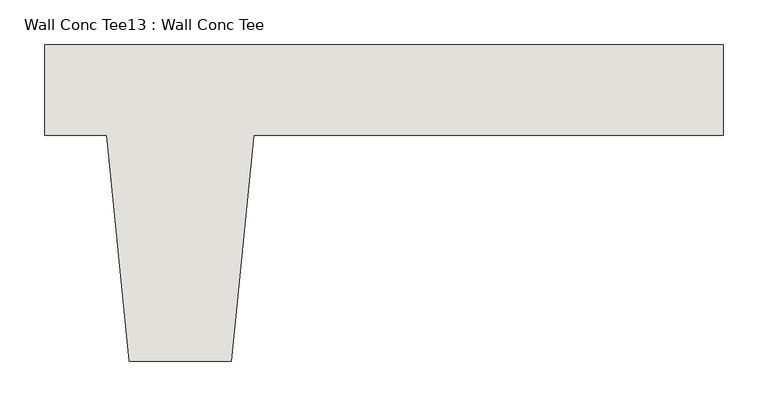
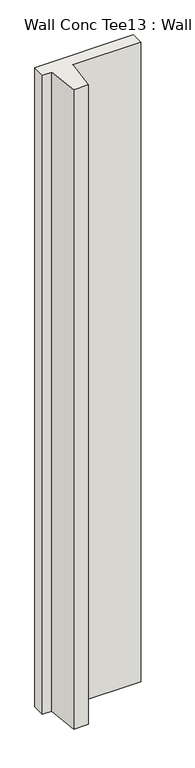
"""IFC4 building model written with IfcOpenShell, lengths in millimetres: wall geometry, Wall Conc Tee13 : Wall Conc Tee."""

from ifc_helpers import new_model, si_unit, frame, origin, place, context, project, spatial, polyline, outline, extrude, source, transform, mapped, element, save


def wall_conc_tee13_wall_conc_tee_6583a43d(model_context):
    return source(origin(), model_context, "Body", "SweptSolid", [
        extrude(outline(polyline([(239433.8728488, 159042.8596581), (239433.8728488, 158941.2596581), (238906.8228488, 158941.2596581), (238881.4228488, 158687.2596581), (238767.1228488, 158687.2596581), (238741.7228488, 158941.2596581), (238671.8728488, 158941.2596581), (238671.8728488, 159042.8596581), (239433.8728488, 159042.8596581)])), frame((0.0, 0.0, 143.7592564), z_axis=(0.0, 0.0, 1.0), x_axis=(1.0, 0.0, 0.0)), (0.0, 0.0, 1.0), 5232.4087123),
    ])


if __name__ == "__main__":
    model = new_model("IFC4")
    model_context = context("Model", 3, world=origin())
    ifc_project = project(units=[si_unit("LENGTHUNIT", "METRE", prefix="MILLI")], contexts=[model_context])
    site = spatial("IfcSite", under=ifc_project)
    building = spatial("IfcBuilding", under=site)
    placement = place(None, origin())
    wall_conc_tee13_wall_conc_tee_shape = wall_conc_tee13_wall_conc_tee_6583a43d(model_context)
    element("IfcWall", 1, ObjectType="Wall Conc Tee13 : Wall Conc Tee", at=placement, inside=building, context=model_context, shape_type="MappedRepresentation", body=[
        mapped(wall_conc_tee13_wall_conc_tee_shape, transform((0.0, 0.0, 0.0), x_axis=(1.0, 0.0, 0.0), y_axis=(0.0, 1.0, 0.0), z_axis=(0.0, 0.0, 1.0))),
    ])
    save(model, "model.ifc")
